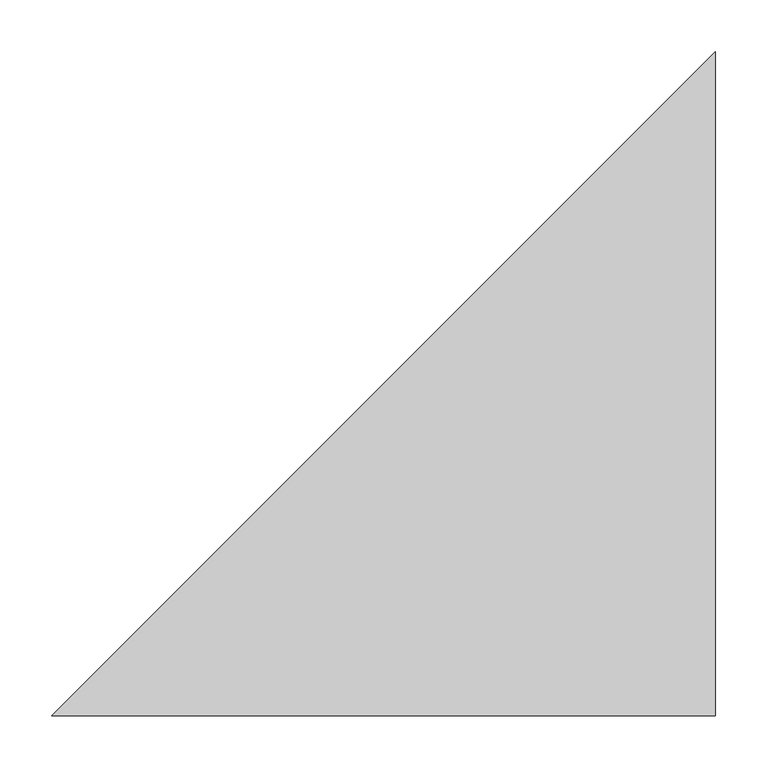
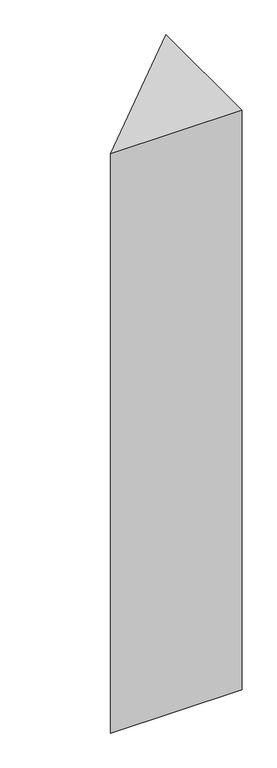
"""IFC4 building model written with IfcOpenShell, lengths in millimetres: column geometry."""

from ifc_helpers import new_model, si_unit, origin, place, context, project, spatial, faceted_brep, source, transform, mapped, element, save


def column_ef8d1712(model_context):
    return source(origin(), model_context, "Body", "Brep", [
        faceted_brep([(2665.0093232, -6061.6353377, 3300.0), (3309.7402038, -6061.6353377, 3300.0), (3309.7402038, -5416.904457, 3300.0), (3309.7402038, -6061.6353377, 300.0), (2665.0093232, -6061.6353377, 300.0), (3234.7402038, -5491.904457, 300.0), (3309.7402038, -5416.904457, 300.0)], [[[0, 1, 2]], [[3, 4, 5, 6]], [[0, 4, 3, 1]], [[4, 0, 2, 6, 5]], [[2, 1, 3, 6]]]),
    ])


if __name__ == "__main__":
    model = new_model("IFC4")
    model_context = context("Model", 3, world=origin())
    ifc_project = project(units=[si_unit("LENGTHUNIT", "METRE", prefix="MILLI")], contexts=[model_context])
    site = spatial("IfcSite", under=ifc_project)
    building = spatial("IfcBuilding", under=site)
    placement = place(None, origin())
    column_shape = column_ef8d1712(model_context)
    element("IfcColumn", 1, at=placement, inside=building, context=model_context, shape_type="MappedRepresentation", body=[
        mapped(column_shape, transform((0.0, 0.0, 0.0), x_axis=(1.0, 0.0, 0.0), y_axis=(0.0, 1.0, 0.0), z_axis=(0.0, 0.0, 1.0))),
    ])
    save(model, "model.ifc")
